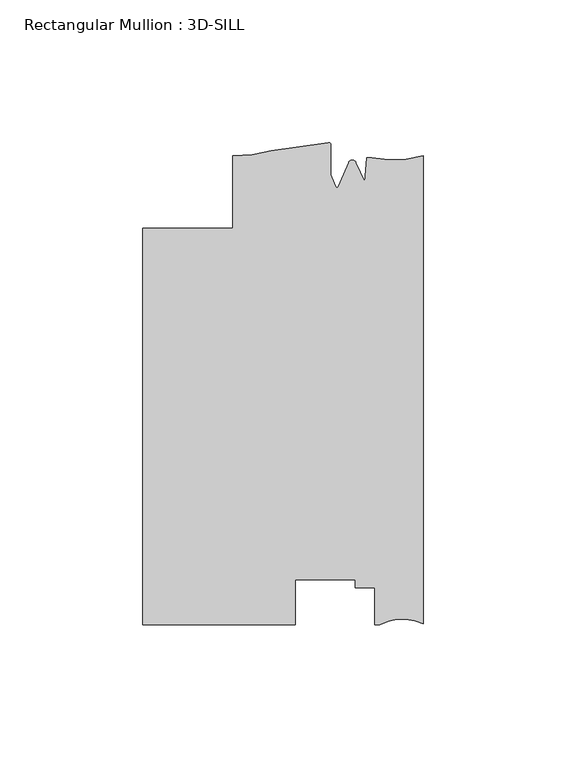
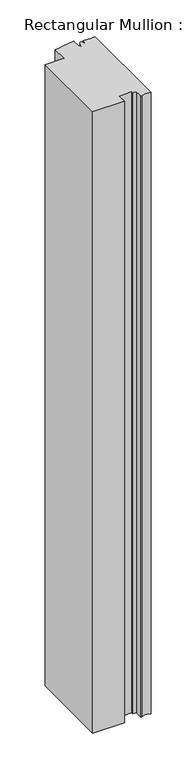
"""IFC4 building model written with IfcOpenShell, lengths in millimetres: member geometry, Rectangular Mullion : 3D-SILL."""

import ifcopenshell
import ifcopenshell.guid

model = None  # the IFC model being written
_history = None  # IfcOwnerHistory: only IFC2X3 demands one
_inside = {}  # id of a spatial element -> (the spatial element, [elements in it])
_under = {}  # id of a project, library or spatial element -> (it, [spatial elements below it])
_declared = {}  # id of a project -> (the project, [libraries it declares])
_typed = {}  # id of a type object -> (the type object, [elements of that type])
_made_of = {}  # id of a material, layer set ... -> (it, [elements and type objects made of it])


def new_model(schema):
    """Start an empty IFC model of exactly this schema.

    Asked for "IFC4X3", IfcOpenShell would pick the latest addendum, in which some entities
    have other attributes; the version numbers below select the first issue.
    IFC2X3 requires an IfcOwnerHistory on every rooted entity: one is made here for all.
    """
    global model, _history
    if schema == "IFC4X3":
        model = ifcopenshell.file(schema_version=(4, 3, 0, 0))
    else:
        model = ifcopenshell.file(schema=schema)
    _inside.clear()
    _under.clear()
    _declared.clear()
    _typed.clear()
    _made_of.clear()
    _history = None
    if model.schema == "IFC2X3":
        org = make("IfcOrganization", Name="unknown")
        user = make(
            "IfcPersonAndOrganization",
            ThePerson=make("IfcPerson", FamilyName="unknown"),
            TheOrganization=org,
        )
        app = make(
            "IfcApplication",
            ApplicationDeveloper=org,
            Version="unknown",
            ApplicationFullName="unknown",
            ApplicationIdentifier="unknown",
        )
        _history = make(
            "IfcOwnerHistory",
            OwningUser=user,
            OwningApplication=app,
            ChangeAction="ADDED",
            CreationDate=0,
        )
    return model


def make(cls, **values):
    """One entity of the class cls with the attributes given. An attribute that is None is left unset."""
    return model.create_entity(
        cls, **{name: value for name, value in values.items() if value is not None}
    )


def rooted(cls, **values):
    """An entity with a GlobalId (a new one), such as an element, a storey or a relation."""
    return make(cls, GlobalId=ifcopenshell.guid.new(), OwnerHistory=_history, **values)


def si_unit(unit_type, name, prefix=None):
    """IfcSIUnit, for example si_unit("LENGTHUNIT", "METRE", prefix="MILLI")."""
    return make("IfcSIUnit", UnitType=unit_type, Prefix=prefix, Name=name)


def assignment(units):
    """IfcUnitAssignment: the units of a project."""
    return None if units is None else make("IfcUnitAssignment", Units=units)


def point(xyz):
    """IfcCartesianPoint."""
    return None if xyz is None else make("IfcCartesianPoint", Coordinates=xyz)


def direction(xyz):
    """IfcDirection."""
    return None if xyz is None else make("IfcDirection", DirectionRatios=xyz)


def frame(location, z_axis=None, x_axis=None):
    """IfcAxis2Placement3D, a coordinate frame: its origin and axes. An axis left out is left unset."""
    return make(
        "IfcAxis2Placement3D",
        Location=point(location),
        Axis=direction(z_axis),
        RefDirection=direction(x_axis),
    )


def origin():
    """The frame at (0, 0, 0) with its axes left unset."""
    return frame((0.0, 0.0, 0.0))


def place(relative_to, where):
    """IfcLocalPlacement: puts the frame where relative to a parent placement (None: the world)."""
    return make(
        "IfcLocalPlacement", PlacementRelTo=relative_to, RelativePlacement=where
    )


def context(
    kind, dimensions, precision=None, world=None, true_north=None, identifier=None
):
    """IfcGeometricRepresentationContext, for example the 3D "Model" context."""
    return make(
        "IfcGeometricRepresentationContext",
        ContextIdentifier=identifier,
        ContextType=kind,
        CoordinateSpaceDimension=dimensions,
        Precision=precision,
        WorldCoordinateSystem=world,
        TrueNorth=true_north,
    )


def project(units=None, contexts=None):
    """IfcProject with its units and contexts."""
    return rooted(
        "IfcProject",
        Name="project",
        RepresentationContexts=contexts,
        UnitsInContext=assignment(units),
    )


def spatial(cls, under=None, at=None, **own):
    """A site, building, storey or space (cls), placed at a placement, below another one or the project."""
    s = rooted(cls, ObjectPlacement=at, **own)
    if under is not None:
        _under.setdefault(under.id(), (under, []))[1].append(s)
    return s


def polyline(points):
    """IfcPolyline through the points."""
    return make("IfcPolyline", Points=[point(p) for p in points])


def circle_curve(where, radius):
    """IfcCircle in the frame where."""
    return make("IfcCircle", Position=where, Radius=radius)


def shape(context_of_items, identifier, shape_type, items):
    """IfcShapeRepresentation: the items that make up one representation, for example the "Body"."""
    return make(
        "IfcShapeRepresentation",
        ContextOfItems=context_of_items,
        RepresentationIdentifier=identifier,
        RepresentationType=shape_type,
        Items=items,
    )


def source(mapping_origin, context_of_items, identifier, shape_type, items):
    """IfcRepresentationMap: a shape defined once, which mapped items show again and again."""
    return make(
        "IfcRepresentationMap",
        MappingOrigin=mapping_origin,
        MappedRepresentation=shape(context_of_items, identifier, shape_type, items),
    )


def transform(
    local_origin,
    x_axis=None,
    y_axis=None,
    z_axis=None,
    scale=None,
    scale2=None,
    scale3=None,
    uniform=True,
):
    """IfcCartesianTransformationOperator3D, or its non-uniform kind. x_axis, y_axis, z_axis: its Axis1, 2, 3."""
    if uniform:
        return make(
            "IfcCartesianTransformationOperator3D",
            Axis1=direction(x_axis),
            Axis2=direction(y_axis),
            LocalOrigin=point(local_origin),
            Scale=scale,
            Axis3=direction(z_axis),
        )
    return make(
        "IfcCartesianTransformationOperator3DnonUniform",
        Axis1=direction(x_axis),
        Axis2=direction(y_axis),
        LocalOrigin=point(local_origin),
        Scale=scale,
        Axis3=direction(z_axis),
        Scale2=scale2,
        Scale3=scale3,
    )


def mapped(mapping_source, mapping_target):
    """IfcMappedItem: shows the shape of a source again, moved by a transform."""
    return make(
        "IfcMappedItem", MappingSource=mapping_source, MappingTarget=mapping_target
    )


def made_of(thing, what):
    """Note that an element or type object is made of a material, layer set ...; save() writes the relation."""
    if what is not None:
        _made_of.setdefault(what.id(), (what, []))[1].append(thing)
    return thing


def element(
    cls,
    number,
    at=None,
    inside=None,
    cuts=None,
    type_object=None,
    material=None,
    context=None,
    identifier="Body",
    shape_type=None,
    held_by="IfcProductDefinitionShape",
    body=None,
    shapes=None,
    **own,
):
    """One element of the class cls, such as IfcWall. Its Tag is "e" and its number.

    at: its placement. inside: the storey or other place that contains it. cuts: it is an
    opening in that element (IfcRelVoidsElement). A single representation is given by context,
    identifier, shape_type and body (its items); several are given by shapes. held_by: the class
    of the entity that holds the representations. save() writes the other relations.
    """
    e = rooted(cls, Tag="e%d" % number, ObjectPlacement=at, **own)
    if body is not None:
        shapes = [shape(context, identifier, shape_type, body)]
    if shapes is not None:
        e.Representation = make(held_by, Representations=shapes)
    if inside is not None:
        _inside.setdefault(inside.id(), (inside, []))[1].append(e)
    if cuts is not None:
        rooted(
            "IfcRelVoidsElement", RelatingBuildingElement=cuts, RelatedOpeningElement=e
        )
    if type_object is not None:
        _typed.setdefault(type_object.id(), (type_object, []))[1].append(e)
    return made_of(e, material)


def aggregate(whole, parts):
    """IfcRelAggregates: a whole, such as a stair, and the parts it consists of."""
    return rooted("IfcRelAggregates", RelatingObject=whole, RelatedObjects=parts)


def save(model, path):
    """Write the relations noted so far, then the file.

    IfcRelAggregates (storeys below a building ...), IfcRelContainedInSpatialStructure (elements
    in a storey), IfcRelDefinesByType, IfcRelAssociatesMaterial and IfcRelDeclares: one each for
    every whole, place, type object, material and project.
    """
    for whole, parts in _under.values():
        aggregate(whole, parts)
    for where, things in _inside.values():
        rooted(
            "IfcRelContainedInSpatialStructure",
            RelatedElements=things,
            RelatingStructure=where,
        )
    for kind, things in _typed.values():
        rooted("IfcRelDefinesByType", RelatedObjects=things, RelatingType=kind)
    for what, things in _made_of.values():
        rooted("IfcRelAssociatesMaterial", RelatedObjects=things, RelatingMaterial=what)
    for by, libraries in _declared.values():
        rooted("IfcRelDeclares", RelatingContext=by, RelatedDefinitions=libraries)
    model.write(path)


def plane_surface(at):
    """IfcPlane: the flat surface through the origin of the frame at, square to its z axis."""
    return make("IfcPlane", Position=at)


def cylinder_surface(at, radius):
    """IfcCylindricalSurface: all points at the distance radius from the z axis of the frame at."""
    return make("IfcCylindricalSurface", Position=at, Radius=radius)


def revolved_surface(curve, axis_point, axis_direction):
    """IfcSurfaceOfRevolution: the curve turned about the line through axis_point along axis_direction."""
    return make(
        "IfcSurfaceOfRevolution",
        SweptCurve=make("IfcArbitraryOpenProfileDef", ProfileType="CURVE", Curve=curve),
        AxisPosition=make("IfcAxis1Placement", Location=point(axis_point), Axis=direction(axis_direction)),
    )


def advanced_brep(points, edges, surfaces, faces):
    """IfcAdvancedBrep: a solid bounded by faces that lie on surfaces and meet in shared edges.

    An edge is (start, end): straight between two places in points (the first is 0);
    or (start, end, curve); or (start, end, curve, False) where it runs against its curve.
    A face is (place in surfaces, loops), or (place, loops, False) where it looks against
    its surface's normal. A loop lists edges by number (the first is 1), with a minus sign
    where the edge is run from its end to its start. The first loop is the outer one.
    """
    corners = [point(p) for p in points]
    vertices = [make("IfcVertexPoint", VertexGeometry=c) for c in corners]
    made = []
    for start, end, *more in edges:
        made.append(
            make(
                "IfcEdgeCurve",
                EdgeStart=vertices[start],
                EdgeEnd=vertices[end],
                EdgeGeometry=more[0] if more else make("IfcPolyline", Points=[corners[start], corners[end]]),
                SameSense=more[1] if len(more) > 1 else True,
            )
        )
    hull = []
    for where, loops, *sense in faces:
        bounds = []
        for j, loop in enumerate(loops):
            ring = [make("IfcOrientedEdge", EdgeElement=made[abs(k) - 1], Orientation=k > 0) for k in loop]
            bounds.append(
                make(
                    "IfcFaceOuterBound" if j == 0 else "IfcFaceBound",
                    Bound=make("IfcEdgeLoop", EdgeList=ring),
                    Orientation=True,
                )
            )
        hull.append(make("IfcAdvancedFace", Bounds=bounds, FaceSurface=surfaces[where], SameSense=sense[0] if sense else True))
    return make("IfcAdvancedBrep", Outer=make("IfcClosedShell", CfsFaces=hull))


def rectangular_mullion_3d_sill_1e387705(model_context):
    return source(origin(), model_context, "Body", "AdvancedBrep", [
        advanced_brep(
        [(-98.425, -27.8368125, 0.0), (-98.425, -167.0288125, 0.0), (-44.8099503, -167.0288125, 0.0), (-44.8099503, -151.130408, 0.0), (-23.8633011, -151.130408, 0.0), (-23.8633011, -153.9850133, 0.0), (-17.0053014, -153.9850133, 0.0), (-17.0053014, -167.0288125, 0.0), (-15.1680895, -167.0288125, 0.0), (0.0, -166.6478125, 0.0), (0.0, -2.4368125, 0.0), (-18.0334985, -3.1935504, 0.0), (-19.8211861, -3.0828843, 0.0), (-20.3867288, -11.4822036, 0.0), (-23.5593147, -4.7881561, 0.0), (-26.1362138, -4.7881561, 0.0), (-29.8075652, -13.2047236, 0.0), (-30.5559634, -13.2047236, 0.0), (-32.384137, -9.0136383, 0.0), (-32.384137, 1.4766469, 0.0), (-33.3130099, 2.2201504, 0.0), (-53.2924277, -0.6208493, 0.0), (-66.6751132, -2.4368125, 0.0), (-66.6751132, -27.8361661, 0.0), (-98.425, -27.8368125, -1104.6875076), (-66.6751132, -27.8361661, -1104.6875076), (-66.6751132, -2.4368125, -1104.6875076), (-53.2924277, -0.6208493, -1104.6875076), (-33.3138356, 2.2199646, -1104.6875076), (-32.384137, 1.4766469, -1104.6875076), (-32.384137, -9.0136383, -1104.6875076), (-30.5559634, -13.2047236, -1104.6875076), (-29.8075652, -13.2047236, -1104.6875076), (-26.1362138, -4.7881561, -1104.6875076), (-23.5593147, -4.7881561, -1104.6875076), (-20.3867288, -11.4822036, -1104.6875076), (-19.8211861, -3.0828843, -1104.6875076), (-18.0334985, -3.1935504, -1104.6875076), (0.0, -2.4368125, -1104.6875076), (0.0, -166.6478125, -1104.6875076), (-15.1680895, -167.0288125, -1104.6875076), (-17.0053014, -167.0288125, -1104.6875076), (-17.0053014, -153.9850133, -1104.6875076), (-23.8633011, -153.9850133, -1104.6875076), (-23.8633011, -151.130408, -1104.6875076), (-44.8099503, -151.130408, -1104.6875076), (-44.8099503, -167.0288125, -1104.6875076), (-98.425, -167.0288125, -1104.6875076)],
        [
            (0, 1),
            (1, 2),
            (2, 3),
            (3, 4),
            (4, 5),
            (5, 6),
            (6, 7),
            (7, 8),
            (8, 9, circle_curve(frame((-7.2326507, -180.8277516, 0.0), z_axis=(0.0, 0.0, -1.0), x_axis=(0.0, -1.0, 0.0)), 15.9179744)),
            (9, 10),
            (10, 11, circle_curve(frame((-10.6264113, 35.54399, 0.0), z_axis=(0.0, 0.0, -1.0), x_axis=(0.0, -1.0, 0.0)), 39.4393455)),
            (11, 12),
            (12, 13),
            (13, 14),
            (14, 15, circle_curve(frame((-24.8477643, -5.3280697, 0.0), z_axis=(0.0, 0.0, 1.0), x_axis=(-0.9222974554240703, 0.38648079346622805, 0.0)), 1.397)),
            (15, 16),
            (16, 17, circle_curve(frame((-30.1817643, -13.2763897, 0.0), z_axis=(0.0, 0.0, -1.0), x_axis=(-0.9821498950386456, 0.1880999300254456, 0.0)), 0.381)),
            (17, 18),
            (18, 19),
            (19, 20, circle_curve(frame((-33.146137, 1.4766469, 0.0), z_axis=(0.0, 0.0, 1.0), x_axis=(1.0, 0.0, 0.0)), 0.762)),
            (20, 21, circle_curve(frame((-61.125498, 126.1389145, 0.0), z_axis=(0.0, 0.0, -1.0), x_axis=(0.2189867881896227, -0.9757278240361876, 0.0)), 127.0015539)),
            (21, 22, circle_curve(frame((-65.8289407, 41.546973, 0.0), z_axis=(0.0, 0.0, -1.0), x_axis=(0.0, -1.0, 0.0)), 43.9919242)),
            (22, 23),
            (23, 0),
            (24, 25),
            (25, 26),
            (26, 27, circle_curve(frame((-65.8289407, 41.546973, -1104.6875076), z_axis=(0.0, 0.0, 1.0), x_axis=(0.0, -1.0, 0.0)), 43.9919242)),
            (27, 28, circle_curve(frame((-61.125498, 126.1389145, -1104.6875076), z_axis=(0.0, 0.0, 1.0), x_axis=(0.2189867881896227, -0.9757278240361876, 0.0)), 127.0015539)),
            (28, 29, circle_curve(frame((-33.146137, 1.4766469, -1104.6875076), z_axis=(0.0, 0.0, -1.0), x_axis=(1.0, 0.0, 0.0)), 0.762)),
            (29, 30),
            (30, 31),
            (31, 32, circle_curve(frame((-30.1817643, -13.2763897, -1104.6875076), z_axis=(0.0, 0.0, 1.0), x_axis=(-0.9821498950386456, 0.1880999300254456, 0.0)), 0.381)),
            (32, 33),
            (33, 34, circle_curve(frame((-24.8477643, -5.3280697, -1104.6875076), z_axis=(0.0, 0.0, -1.0), x_axis=(-0.9222974554240703, 0.38648079346622805, 0.0)), 1.397)),
            (34, 35),
            (35, 36),
            (36, 37),
            (37, 38, circle_curve(frame((-10.6264113, 35.54399, -1104.6875076), z_axis=(0.0, 0.0, 1.0), x_axis=(0.0, -1.0, 0.0)), 39.4393455)),
            (38, 39),
            (39, 40, circle_curve(frame((-7.2326507, -180.8277516, -1104.6875076), z_axis=(0.0, 0.0, 1.0), x_axis=(0.0, -1.0, 0.0)), 15.9179744)),
            (40, 41),
            (41, 42),
            (42, 43),
            (43, 44),
            (44, 45),
            (45, 46),
            (46, 47),
            (47, 24),
            (0, 24),
            (47, 1),
            (46, 2),
            (45, 3),
            (44, 4),
            (43, 5),
            (42, 6),
            (41, 7),
            (40, 8),
            (39, 9),
            (38, 10),
            (37, 11),
            (36, 12),
            (35, 13),
            (34, 14),
            (33, 15),
            (32, 16),
            (31, 17),
            (30, 18),
            (29, 19),
            (28, 20),
            (27, 21),
            (26, 22),
            (25, 23),
        ],
        [
            plane_surface(frame((0.0, -193.8713616, 0.0), z_axis=(0.0, 0.0, 1.0), x_axis=(-1.0, 0.0, 0.0))),
            plane_surface(frame((0.0, -193.8713616, -1104.6875076), z_axis=(0.0, 0.0, -1.0), x_axis=(-1.0, 0.0, 0.0))),
            plane_surface(frame((-98.425, -27.8368125, 0.0), z_axis=(-1.0, 0.0, 0.0), x_axis=(0.0, 0.0, -1.0))),
            plane_surface(frame((-98.425, -167.0288125, 0.0), z_axis=(0.0, -1.0, 0.0), x_axis=(0.0, 0.0, -1.0))),
            plane_surface(frame((-44.8099503, -167.0288125, 0.0), z_axis=(1.0, 0.0, 0.0), x_axis=(0.0, 0.0, -1.0))),
            plane_surface(frame((-44.8099503, -151.130408, 0.0), z_axis=(0.0, -1.0, 0.0), x_axis=(0.0, 0.0, -1.0))),
            plane_surface(frame((-23.8633011, -151.130408, 0.0), z_axis=(-1.0, 0.0, 0.0), x_axis=(0.0, 0.0, -1.0))),
            plane_surface(frame((-23.8633011, -153.9850133, 0.0), z_axis=(0.0, -1.0, 0.0), x_axis=(0.0, 0.0, -1.0))),
            plane_surface(frame((-17.0053014, -153.9850133, 0.0), z_axis=(-1.0, 0.0, 0.0), x_axis=(0.0, 0.0, -1.0))),
            plane_surface(frame((-17.0053014, -167.0288125, 0.0), z_axis=(0.0, -1.0, 0.0), x_axis=(0.0, 0.0, -1.0))),
            revolved_surface(polyline([(-7.2326507, -196.745726, -1104.6875076), (-7.2326507, -196.745726, 0.0)]), (-7.2326507, -180.8277516, 0.0), (0.0, 0.0, -1.0)),
            plane_surface(frame((0.0, -166.6478125, 0.0), z_axis=(1.0, 0.0, 0.0), x_axis=(0.0, 0.0, -1.0))),
            revolved_surface(polyline([(-10.6264113, -3.895355500000001, -1104.6875076), (-10.6264113, -3.895355500000001, 0.0)]), (-10.6264113, 35.54399, 0.0), (0.0, 0.0, -1.0)),
            plane_surface(frame((-18.0334985, -3.1935504, 0.0), z_axis=(0.0617863276188998, 0.9980893996628609, 0.0), x_axis=(0.0, 0.0, -1.0))),
            plane_surface(frame((-19.8211861, -3.0828843, 0.0), z_axis=(-0.997740881645106, 0.06717985631159565, 0.0), x_axis=(0.0, 0.0, -1.0))),
            plane_surface(frame((-20.3867288, -11.4822036, 0.0), z_axis=(0.9036479198265283, 0.4282761223710569, 0.0), x_axis=(0.0, 0.0, -1.0))),
            cylinder_surface(frame((-24.8477643, -5.3280697, 0.0), z_axis=(0.0, 0.0, 1.0), x_axis=(-0.9222974554240703, 0.38648079346622805, 0.0)), 1.397),
            plane_surface(frame((-26.1362138, -4.7881561, 0.0), z_axis=(-0.9165925711538568, 0.3998225337641213, 0.0), x_axis=(0.0, 0.0, -1.0))),
            revolved_surface(polyline([(-30.555963410009724, -13.204723626660304, -1104.6875076), (-30.555963410009724, -13.204723626660304, 0.0)]), (-30.1817643, -13.2763897, 0.0), (0.0, 0.0, -1.0)),
            plane_surface(frame((-30.5559634, -13.2047236, 0.0), z_axis=(0.9165925711538717, 0.39982253376408716, 0.0), x_axis=(0.0, 0.0, -1.0))),
            plane_surface(frame((-32.384137, -9.0136383, 0.0), z_axis=(1.0, 0.0, 0.0), x_axis=(0.0, 0.0, -1.0))),
            cylinder_surface(frame((-33.146137, 1.4766469, 0.0), z_axis=(0.0, 0.0, 1.0), x_axis=(1.0, 0.0, 0.0)), 0.762),
            revolved_surface(polyline([(-33.313835616347745, 2.2199646639383985, -1104.6875076000003), (-33.313835616347745, 2.2199646639383985, 0.0)]), (-61.125498, 126.1389145, 0.0), (0.0, 0.0, -1.0000000000000002)),
            revolved_surface(polyline([(-65.8289407, -2.4449511999999984, -1104.6875076), (-65.8289407, -2.4449511999999984, 0.0)]), (-65.8289407, 41.546973, 0.0), (0.0, 0.0, -1.0)),
            plane_surface(frame((-66.6751132, -2.4368125, 0.0), z_axis=(-1.0, 0.0, 0.0), x_axis=(0.0, 0.0, -1.0))),
            plane_surface(frame((-66.6751132, -27.8361661, 0.0), z_axis=(-2.0360673595886705e-05, 0.9999999997927215, 0.0), x_axis=(0.0, 0.0, -1.0))),
        ],
        [
            (0, [[1, 2, 3, 4, 5, 6, 7, 8, 9, 10, 11, 12, 13, 14, 15, 16, 17, 18, 19, 20, 21, 22, 23, 24]]),
            (1, [[25, 26, 27, 28, 29, 30, 31, 32, 33, 34, 35, 36, 37, 38, 39, 40, 41, 42, 43, 44, 45, 46, 47, 48]]),
            (2, [[-1, 49, -48, 50]]),
            (3, [[-2, -50, -47, 51]]),
            (4, [[-3, -51, -46, 52]]),
            (5, [[-4, -52, -45, 53]]),
            (6, [[-5, -53, -44, 54]]),
            (7, [[-6, -54, -43, 55]]),
            (8, [[-7, -55, -42, 56]]),
            (9, [[-8, -56, -41, 57]]),
            (10, [[-9, -57, -40, 58]]),
            (11, [[-10, -58, -39, 59]]),
            (12, [[-11, -59, -38, 60]]),
            (13, [[-12, -60, -37, 61]]),
            (14, [[-13, -61, -36, 62]]),
            (15, [[-14, -62, -35, 63]]),
            (16, [[-15, -63, -34, 64]]),
            (17, [[-16, -64, -33, 65]]),
            (18, [[-17, -65, -32, 66]]),
            (19, [[-18, -66, -31, 67]]),
            (20, [[-19, -67, -30, 68]]),
            (21, [[-20, -68, -29, 69]]),
            (22, [[-21, -69, -28, 70]]),
            (23, [[-22, -70, -27, 71]]),
            (24, [[-23, -71, -26, 72]]),
            (25, [[-24, -72, -25, -49]]),
        ],
    ),
    ])


if __name__ == "__main__":
    model = new_model("IFC4")
    model_context = context("Model", 3, world=origin())
    ifc_project = project(units=[si_unit("LENGTHUNIT", "METRE", prefix="MILLI")], contexts=[model_context])
    site = spatial("IfcSite", under=ifc_project)
    building = spatial("IfcBuilding", under=site)
    placement = place(None, origin())
    rectangular_mullion_3d_sill_shape = rectangular_mullion_3d_sill_1e387705(model_context)
    element("IfcMember", 1, ObjectType="Rectangular Mullion : 3D-SILL", at=placement, inside=building, context=model_context, shape_type="MappedRepresentation", body=[
        mapped(rectangular_mullion_3d_sill_shape, transform((0.0, 0.0, 0.0), x_axis=(1.0, 0.0, 0.0), y_axis=(0.0, 1.0, 0.0), z_axis=(0.0, 0.0, 1.0))),
    ])
    save(model, "model.ifc")
